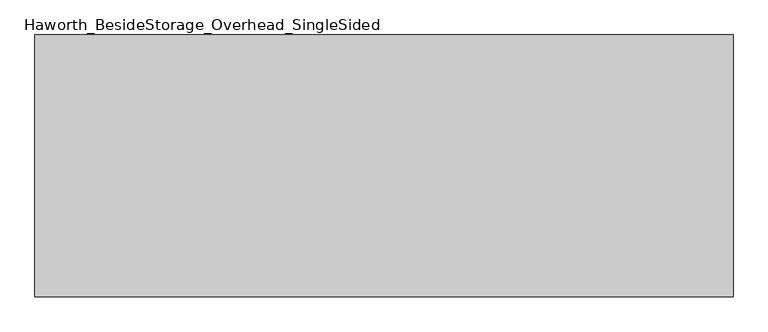
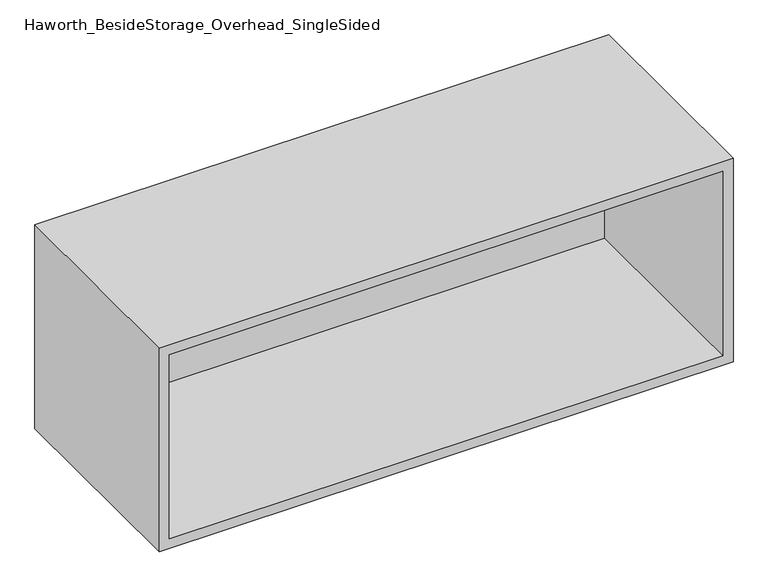
"""IFC4 building model written with IfcOpenShell, lengths in millimetres: furniture geometry, Haworth_BesideStorage_Overhead_SingleSided."""

import ifcopenshell
import ifcopenshell.guid

model = None  # the IFC model being written
_history = None  # IfcOwnerHistory: only IFC2X3 demands one
_inside = {}  # id of a spatial element -> (the spatial element, [elements in it])
_under = {}  # id of a project, library or spatial element -> (it, [spatial elements below it])
_declared = {}  # id of a project -> (the project, [libraries it declares])
_typed = {}  # id of a type object -> (the type object, [elements of that type])
_made_of = {}  # id of a material, layer set ... -> (it, [elements and type objects made of it])


def new_model(schema):
    """Start an empty IFC model of exactly this schema.

    Asked for "IFC4X3", IfcOpenShell would pick the latest addendum, in which some entities
    have other attributes; the version numbers below select the first issue.
    IFC2X3 requires an IfcOwnerHistory on every rooted entity: one is made here for all.
    """
    global model, _history
    if schema == "IFC4X3":
        model = ifcopenshell.file(schema_version=(4, 3, 0, 0))
    else:
        model = ifcopenshell.file(schema=schema)
    _inside.clear()
    _under.clear()
    _declared.clear()
    _typed.clear()
    _made_of.clear()
    _history = None
    if model.schema == "IFC2X3":
        org = make("IfcOrganization", Name="unknown")
        user = make(
            "IfcPersonAndOrganization",
            ThePerson=make("IfcPerson", FamilyName="unknown"),
            TheOrganization=org,
        )
        app = make(
            "IfcApplication",
            ApplicationDeveloper=org,
            Version="unknown",
            ApplicationFullName="unknown",
            ApplicationIdentifier="unknown",
        )
        _history = make(
            "IfcOwnerHistory",
            OwningUser=user,
            OwningApplication=app,
            ChangeAction="ADDED",
            CreationDate=0,
        )
    return model


def make(cls, **values):
    """One entity of the class cls with the attributes given. An attribute that is None is left unset."""
    return model.create_entity(
        cls, **{name: value for name, value in values.items() if value is not None}
    )


def rooted(cls, **values):
    """An entity with a GlobalId (a new one), such as an element, a storey or a relation."""
    return make(cls, GlobalId=ifcopenshell.guid.new(), OwnerHistory=_history, **values)


def si_unit(unit_type, name, prefix=None):
    """IfcSIUnit, for example si_unit("LENGTHUNIT", "METRE", prefix="MILLI")."""
    return make("IfcSIUnit", UnitType=unit_type, Prefix=prefix, Name=name)


def assignment(units):
    """IfcUnitAssignment: the units of a project."""
    return None if units is None else make("IfcUnitAssignment", Units=units)


def point(xyz):
    """IfcCartesianPoint."""
    return None if xyz is None else make("IfcCartesianPoint", Coordinates=xyz)


def direction(xyz):
    """IfcDirection."""
    return None if xyz is None else make("IfcDirection", DirectionRatios=xyz)


def frame(location, z_axis=None, x_axis=None):
    """IfcAxis2Placement3D, a coordinate frame: its origin and axes. An axis left out is left unset."""
    return make(
        "IfcAxis2Placement3D",
        Location=point(location),
        Axis=direction(z_axis),
        RefDirection=direction(x_axis),
    )


def origin():
    """The frame at (0, 0, 0) with its axes left unset."""
    return frame((0.0, 0.0, 0.0))


def place(relative_to, where):
    """IfcLocalPlacement: puts the frame where relative to a parent placement (None: the world)."""
    return make(
        "IfcLocalPlacement", PlacementRelTo=relative_to, RelativePlacement=where
    )


def context(
    kind, dimensions, precision=None, world=None, true_north=None, identifier=None
):
    """IfcGeometricRepresentationContext, for example the 3D "Model" context."""
    return make(
        "IfcGeometricRepresentationContext",
        ContextIdentifier=identifier,
        ContextType=kind,
        CoordinateSpaceDimension=dimensions,
        Precision=precision,
        WorldCoordinateSystem=world,
        TrueNorth=true_north,
    )


def project(units=None, contexts=None):
    """IfcProject with its units and contexts."""
    return rooted(
        "IfcProject",
        Name="project",
        RepresentationContexts=contexts,
        UnitsInContext=assignment(units),
    )


def spatial(cls, under=None, at=None, **own):
    """A site, building, storey or space (cls), placed at a placement, below another one or the project."""
    s = rooted(cls, ObjectPlacement=at, **own)
    if under is not None:
        _under.setdefault(under.id(), (under, []))[1].append(s)
    return s


def polyline(points):
    """IfcPolyline through the points."""
    return make("IfcPolyline", Points=[point(p) for p in points])


def outline(outer, holes=None, kind="AREA"):
    """IfcArbitraryClosedProfileDef: a profile drawn as a closed curve; with holes, ...WithVoids."""
    if holes is None:
        return make("IfcArbitraryClosedProfileDef", ProfileType=kind, OuterCurve=outer)
    return make(
        "IfcArbitraryProfileDefWithVoids",
        ProfileType=kind,
        OuterCurve=outer,
        InnerCurves=holes,
    )


def extrude(swept, where, along, depth):
    """IfcExtrudedAreaSolid: the profile swept, set in the frame where, extruded along a direction by depth."""
    return make(
        "IfcExtrudedAreaSolid",
        SweptArea=swept,
        Position=where,
        ExtrudedDirection=direction(along),
        Depth=depth,
    )


def shape(context_of_items, identifier, shape_type, items):
    """IfcShapeRepresentation: the items that make up one representation, for example the "Body"."""
    return make(
        "IfcShapeRepresentation",
        ContextOfItems=context_of_items,
        RepresentationIdentifier=identifier,
        RepresentationType=shape_type,
        Items=items,
    )


def source(mapping_origin, context_of_items, identifier, shape_type, items):
    """IfcRepresentationMap: a shape defined once, which mapped items show again and again."""
    return make(
        "IfcRepresentationMap",
        MappingOrigin=mapping_origin,
        MappedRepresentation=shape(context_of_items, identifier, shape_type, items),
    )


def transform(
    local_origin,
    x_axis=None,
    y_axis=None,
    z_axis=None,
    scale=None,
    scale2=None,
    scale3=None,
    uniform=True,
):
    """IfcCartesianTransformationOperator3D, or its non-uniform kind. x_axis, y_axis, z_axis: its Axis1, 2, 3."""
    if uniform:
        return make(
            "IfcCartesianTransformationOperator3D",
            Axis1=direction(x_axis),
            Axis2=direction(y_axis),
            LocalOrigin=point(local_origin),
            Scale=scale,
            Axis3=direction(z_axis),
        )
    return make(
        "IfcCartesianTransformationOperator3DnonUniform",
        Axis1=direction(x_axis),
        Axis2=direction(y_axis),
        LocalOrigin=point(local_origin),
        Scale=scale,
        Axis3=direction(z_axis),
        Scale2=scale2,
        Scale3=scale3,
    )


def mapped(mapping_source, mapping_target):
    """IfcMappedItem: shows the shape of a source again, moved by a transform."""
    return make(
        "IfcMappedItem", MappingSource=mapping_source, MappingTarget=mapping_target
    )


def made_of(thing, what):
    """Note that an element or type object is made of a material, layer set ...; save() writes the relation."""
    if what is not None:
        _made_of.setdefault(what.id(), (what, []))[1].append(thing)
    return thing


def element(
    cls,
    number,
    at=None,
    inside=None,
    cuts=None,
    type_object=None,
    material=None,
    context=None,
    identifier="Body",
    shape_type=None,
    held_by="IfcProductDefinitionShape",
    body=None,
    shapes=None,
    **own,
):
    """One element of the class cls, such as IfcWall. Its Tag is "e" and its number.

    at: its placement. inside: the storey or other place that contains it. cuts: it is an
    opening in that element (IfcRelVoidsElement). A single representation is given by context,
    identifier, shape_type and body (its items); several are given by shapes. held_by: the class
    of the entity that holds the representations. save() writes the other relations.
    """
    e = rooted(cls, Tag="e%d" % number, ObjectPlacement=at, **own)
    if body is not None:
        shapes = [shape(context, identifier, shape_type, body)]
    if shapes is not None:
        e.Representation = make(held_by, Representations=shapes)
    if inside is not None:
        _inside.setdefault(inside.id(), (inside, []))[1].append(e)
    if cuts is not None:
        rooted(
            "IfcRelVoidsElement", RelatingBuildingElement=cuts, RelatedOpeningElement=e
        )
    if type_object is not None:
        _typed.setdefault(type_object.id(), (type_object, []))[1].append(e)
    return made_of(e, material)


def aggregate(whole, parts):
    """IfcRelAggregates: a whole, such as a stair, and the parts it consists of."""
    return rooted("IfcRelAggregates", RelatingObject=whole, RelatedObjects=parts)


def save(model, path):
    """Write the relations noted so far, then the file.

    IfcRelAggregates (storeys below a building ...), IfcRelContainedInSpatialStructure (elements
    in a storey), IfcRelDefinesByType, IfcRelAssociatesMaterial and IfcRelDeclares: one each for
    every whole, place, type object, material and project.
    """
    for whole, parts in _under.values():
        aggregate(whole, parts)
    for where, things in _inside.values():
        rooted(
            "IfcRelContainedInSpatialStructure",
            RelatedElements=things,
            RelatingStructure=where,
        )
    for kind, things in _typed.values():
        rooted("IfcRelDefinesByType", RelatedObjects=things, RelatingType=kind)
    for what, things in _made_of.values():
        rooted("IfcRelAssociatesMaterial", RelatedObjects=things, RelatingMaterial=what)
    for by, libraries in _declared.values():
        rooted("IfcRelDeclares", RelatingContext=by, RelatedDefinitions=libraries)
    model.write(path)


def haworth_besidestorage_overhead_singlesided_5bd0b47a(model_context):
    return source(origin(), model_context, "Body", "SweptSolid", [
        extrude(outline(polyline([(679.45, -19.05), (-349.25, -19.05), (-349.25, 0.0), (679.45, 0.0), (679.45, -19.05)])), frame((0.0, 0.0, 781.05), z_axis=(0.0, 0.0, 1.0), x_axis=(1.0, 0.0, 0.0)), (0.0, 0.0, 1.0), 361.95),
        extrude(outline(polyline([(762.0, 698.5), (1162.05, 698.5), (1162.05, -368.3), (762.0, -368.3), (762.0, 698.5)]), holes=[polyline([(1143.0, 679.45), (781.05, 679.45), (781.05, -349.25), (1143.0, -349.25), (1143.0, 679.45)])]), frame((0.0, -400.05, 0.0), z_axis=(0.0, 1.0, 0.0), x_axis=(0.0, 0.0, 1.0)), (0.0, 0.0, 1.0), 400.05),
    ])


if __name__ == "__main__":
    model = new_model("IFC4")
    model_context = context("Model", 3, world=origin())
    ifc_project = project(units=[si_unit("LENGTHUNIT", "METRE", prefix="MILLI")], contexts=[model_context])
    site = spatial("IfcSite", under=ifc_project)
    building = spatial("IfcBuilding", under=site)
    placement = place(None, origin())
    haworth_besidestorage_overhead_singlesided_shape = haworth_besidestorage_overhead_singlesided_5bd0b47a(model_context)
    element("IfcFurniture", 1, ObjectType="Haworth_BesideStorage_Overhead_SingleSided", at=placement, inside=building, context=model_context, shape_type="MappedRepresentation", body=[
        mapped(haworth_besidestorage_overhead_singlesided_shape, transform((0.0, 0.0, 0.0), x_axis=(1.0, 0.0, 0.0), y_axis=(0.0, 1.0, 0.0), z_axis=(0.0, 0.0, 1.0))),
    ])
    save(model, "model.ifc")
